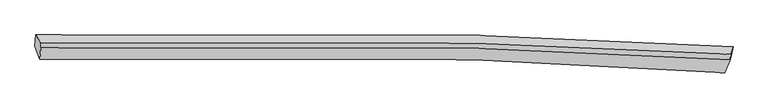
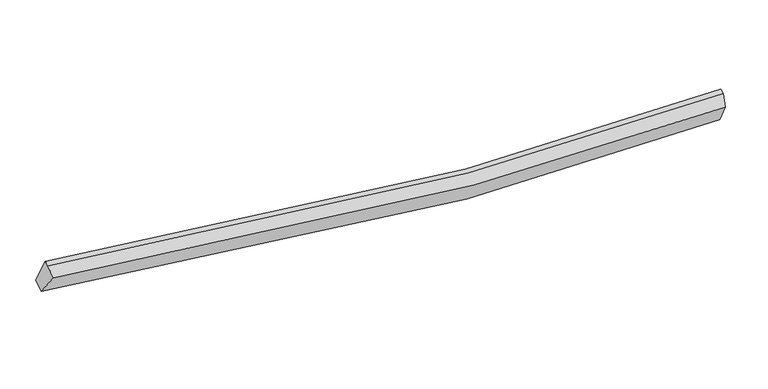
"""IFC4 building model written with IfcOpenShell, lengths in millimetres: proxy geometry."""

from ifc_helpers import new_model, si_unit, frame, origin, place, context, project, spatial, source, transform, mapped, element, save
from ifc_brep_helpers import plane_surface, spline_curve, spline_surface, advanced_brep


def generic_models_8c3c2ab3(model_context):
    return source(origin(), model_context, "Body", "AdvancedBrep", [
        advanced_brep(
        [(-10212.305403, -1926.805765, 3550.8776056), (-10185.9786103, -1615.0742785, 3719.2097968), (9397.1803176, -1946.8162643, 2395.4613054), (9229.8579338, -2289.9193237, 2242.4788782), (-10074.0353906, -2303.0189508, 4156.2349008), (9164.7366073, -2675.0175111, 2878.0712619), (-10048.931677, -1979.0284144, 4320.4487589), (9322.4639323, -2311.3454785, 3008.4877463), (-10043.1199468, -1836.0270373, 4367.8786496), (9328.4683925, -2163.6018552, 3057.4905184)],
        [
            (0, 1),
            (1, 2, spline_curve(3, [(-10185.9786103, -1615.0742785, 3719.2097968), (-6123.929090593, -1504.842537419, 2890.573557224), (-2022.669089544, -1508.391973054, 2409.331402619), (4530.942142439, -1694.104984633, 2197.474270168), (6957.401784353, -1801.13620946, 2237.466927539), (9397.1803176, -1946.8162643, 2395.4613054)], [4, 2, 4], [0.0, 40.64773478876317, 64.3379665284077])),
            (2, 3),
            (3, 0, spline_curve(3, [(9229.8579338, -2289.9193237, 2242.4788782), (6860.038540623, -2133.201333673, 2069.877349827), (4484.150188004, -2017.778698378, 2019.962400022), (-1984.773019386, -1816.463719193, 2217.595699121), (-6089.605778949, -1810.848501875, 2703.643557265), (-10212.305403, -1926.805765, 3550.8776056)], [4, 2, 4], [0.0, 23.69023173964454, 64.3379665284077])),
            (4, 0),
            (3, 5),
            (5, 4, spline_curve(3, [(9164.7366073, -2675.0175111, 2878.0712619), (6820.734905319, -2513.247272647, 2710.468911716), (4470.349880281, -2394.231153888, 2662.345915509), (-1930.165098776, -2187.118703819, 2856.135617388), (-5992.704073979, -2182.135303282, 3330.313159567), (-10074.0353906, -2303.0189508, 4156.2349008)], [4, 2, 4], [0.0, 23.48266856724709, 63.774266156668006])),
            (6, 4),
            (5, 7),
            (7, 6, spline_curve(3, [(9322.4639323, -2311.3454785, 3008.4877463), (6912.78083321, -2162.880929946, 2854.04538344), (4514.905496098, -2054.064514814, 2815.764108989), (-1965.180365016, -1866.217191564, 3027.270225942), (-6024.436897934, -1864.261251442, 3502.871837386), (-10048.931677, -1979.0284144, 4320.4487589)], [4, 2, 4], [0.0, 23.43717627425041, 63.65071811981099])),
            (8, 6),
            (7, 9),
            (9, 8, spline_curve(3, [(9328.4683925, -2163.6018552, 3057.4905184), (6918.595709053, -2019.802149245, 2901.50094665), (4520.591885875, -1914.147231712, 2862.171085147), (-1959.676991952, -1730.803120674, 3072.18360102), (-6018.869281039, -1727.266432397, 3548.309506486), (-10043.1199468, -1836.0270373, 4367.8786496)], [4, 2, 4], [0.0, 23.51635676976538, 63.86575662707979])),
            (1, 8),
            (9, 2),
            (7, 2),
            (3, 7),
        ],
        [
            spline_surface(3, 3, [[(-10212.305403, -1926.805765, 3550.8776056), (-6089.605778531, -1810.848501724, 2703.643557911), (-1984.773019243, -1816.463719307, 2217.595699207), (4484.150187921, -2017.778698312, 2019.962399972), (6860.038540889, -2133.201333658, 2069.877349555), (9229.8579338, -2289.9193237, 2242.4788782)], [(-10203.529805449, -1822.895269484, 3606.988335995), (-6101.046882398, -1708.846513393, 2765.953557516), (-1997.405042579, -1713.773137414, 2281.507600347), (4499.747506056, -1909.887460306, 2079.133023372), (6892.492955278, -2022.512958903, 2125.740542082), (9285.632061711, -2175.551637252, 2293.473020586)], [(-10194.754207851, -1718.984774016, 3663.099066405), (-6112.487986219, -1606.844525109, 2828.263557135), (-2010.03706595, -1611.082555524, 2345.419501483), (4515.344824154, -1801.996222302, 2138.303646766), (6924.947369735, -1911.824584093, 2181.603734651), (9341.406189689, -2061.183950748, 2344.467163014)], [(-10185.9786103, -1615.0742785, 3719.2097968), (-6123.929090086, -1504.842536778, 2890.57355674), (-2022.669089286, -1508.391973632, 2409.331402624), (4530.942142289, -1694.104984296, 2197.474270166), (6957.401784124, -1801.136209337, 2237.466927178), (9397.1803176, -1946.8162643, 2395.4613054)]], [4, 4], [4, 2, 4], [0.0, 1.1953595313869736], [0.0, 40.64773478876317, 64.3379665284077]),
            spline_surface(3, 3, [[(-10074.0353906, -2303.0189508, 4156.2349008), (-5992.704073424, -2182.135302996, 3330.313159648), (-1930.165099236, -2187.118704357, 2856.135617109), (4470.349880549, -2394.231153575, 2662.345915672), (6820.734905658, -2513.247272358, 2710.468911936), (9164.7366073, -2675.0175111, 2878.0712619)], [(-10120.125394733, -2177.614555535, 3954.449135727), (-6025.004641793, -2058.373035906, 3121.423292396), (-1948.367739254, -2063.567042647, 2643.288977801), (4474.94998299, -2268.747001794, 2448.218077099), (6833.836117406, -2386.5652928, 2496.938391142), (9186.443716138, -2546.651448642, 2666.207134)], [(-10166.215398867, -2052.210160265, 3752.663370673), (-6057.305210163, -1934.610768813, 2912.533425163), (-1966.570379224, -1940.015381017, 2430.442338514), (4479.55008548, -2143.262850093, 2234.090238546), (6846.937329141, -2259.883313216, 2283.407870348), (9208.150824962, -2418.285386158, 2454.3430061)], [(-10212.305403, -1926.805765, 3550.8776056), (-6089.605778531, -1810.848501724, 2703.643557911), (-1984.773019243, -1816.463719307, 2217.595699207), (4484.150187921, -2017.778698312, 2019.962399972), (6860.038540889, -2133.201333658, 2069.877349555), (9229.8579338, -2289.9193237, 2242.4788782)]], [4, 4], [4, 2, 4], [0.0, 2.4278400096554997], [0.0, 40.29159758942092, 63.774266156668006]),
            spline_surface(3, 3, [[(-10048.931677, -1979.0284144, 4320.4487589), (-6024.436898026, -1864.261251908, 3502.871836961), (-1965.180365171, -1866.217191357, 3027.270225344), (4514.905496189, -2054.064514934, 2815.764109338), (6912.7808331, -2162.8809302, 2854.045383471), (9322.4639323, -2311.3454785, 3008.4877463)], [(-10057.299581531, -2087.025259872, 4265.710806195), (-6013.859289823, -1970.219268943, 3445.352277852), (-1953.508609858, -1973.184362373, 2970.225355939), (4500.053624311, -2167.453394497, 2764.624711456), (6882.098857289, -2279.669710911, 2806.186559634), (9269.888157303, -2432.569489358, 2965.015584841)], [(-10065.667486069, -2195.022105328, 4210.972853505), (-6003.281681627, -2076.177285961, 3387.832718757), (-1941.83685455, -2080.151533341, 2913.180486514), (4485.201752427, -2280.842274012, 2713.485313554), (6851.416881469, -2396.458491648, 2758.327735773), (9217.312382297, -2553.793500242, 2921.543423359)], [(-10074.0353906, -2303.0189508, 4156.2349008), (-5992.704073424, -2182.135302996, 3330.313159648), (-1930.165099236, -2187.118704357, 2856.135617109), (4470.349880549, -2394.231153575, 2662.345915672), (6820.734905658, -2513.247272358, 2710.468911936), (9164.7366073, -2675.0175111, 2878.0712619)]], [4, 4], [4, 2, 4], [0.0, 1.2020231200058582], [0.0, 40.21354184556058, 63.65071811981099]),
            spline_surface(3, 3, [[(-10043.1199468, -1836.0270373, 4367.8786496), (-6018.869280827, -1727.266432917, 3548.309506326), (-1959.676991305, -1730.803121103, 3072.183600866), (4520.591885498, -1914.147231462, 2862.171085236), (6918.595709074, -2019.802149255, 2901.500946954), (9328.4683925, -2163.6018552, 3057.4905184)], [(-10045.05719021, -1883.69416301, 4352.068686041), (-6020.725153237, -1772.93137259, 3533.163616545), (-1961.511449271, -1775.941144532, 3057.212475695), (4518.696422385, -1960.786325964, 2846.702093273), (6916.657417072, -2067.495076245, 2885.682425772), (9326.466905756, -2212.849729641, 3041.156261012)], [(-10046.99443359, -1931.36128869, 4336.258722459), (-6022.581025616, -1818.596312235, 3518.017726741), (-1963.345907206, -1821.079167928, 3042.241350515), (4516.800959302, -2007.425420432, 2831.233101301), (6914.719125102, -2115.188003211, 2869.863904653), (9324.465419044, -2262.097604059, 3024.822003688)], [(-10048.931677, -1979.0284144, 4320.4487589), (-6024.436898026, -1864.261251908, 3502.871836961), (-1965.180365171, -1866.217191357, 3027.270225344), (4514.905496189, -2054.064514934, 2815.764109338), (6912.7808331, -2162.8809302, 2854.045383471), (9322.4639323, -2311.3454785, 3008.4877463)]], [4, 4], [4, 2, 4], [0.0, 0.4741005887347536], [0.0, 40.34939985731441, 63.86575662707979]),
            spline_surface(3, 3, [[(-10185.9786103, -1615.0742785, 3719.2097968), (-6123.929090086, -1504.842536778, 2890.57355674), (-2022.669089286, -1508.391973632, 2409.331402624), (4530.942142289, -1694.104984296, 2197.474270166), (6957.401784124, -1801.136209337, 2237.466927178), (9397.1803176, -1946.8162643, 2395.4613054)], [(-10138.359055776, -1688.7251981, 3935.432747741), (-6088.909153643, -1578.98383549, 3109.818873276), (-2001.67172328, -1582.529022789, 2630.282135367), (4527.492056704, -1767.452400018, 2419.039875185), (6944.4664258, -1874.024855951, 2458.811600464), (9374.276342592, -2019.078127907, 2616.13770976)], [(-10090.739501324, -1762.3761177, 4151.655698659), (-6053.88921727, -1653.125134204, 3329.06418979), (-1980.674357311, -1656.666071945, 2851.232868123), (4524.041971083, -1840.79981574, 2640.605480217), (6931.531067399, -1946.913502642, 2680.156273669), (9351.372367508, -2091.339991593, 2836.81411404)], [(-10043.1199468, -1836.0270373, 4367.8786496), (-6018.869280827, -1727.266432917, 3548.309506326), (-1959.676991305, -1730.803121103, 3072.183600866), (4520.591885498, -1914.147231462, 2862.171085236), (6918.595709074, -2019.802149255, 2901.500946954), (9328.4683925, -2163.6018552, 3057.4905184)]], [4, 4], [4, 2, 4], [0.0, 2.29760252350245], [0.0, 40.56982969980112, 64.2146569508364]),
            plane_surface(frame((-10112.8742055, -1931.9908892, 4022.9299424), z_axis=(-0.9781942579888587, -0.028480513813645122, 0.2057300512091924), x_axis=(-0.07410697338853663, -0.8774892286576401, -0.47383626927981204))),
            plane_surface(frame((9349.3708808, -2140.587866, 2820.4798567), z_axis=(0.9944238740568603, -0.0673338873564593, 0.08116222224171397), x_axis=(0.10418906872529192, 0.50832169162409, -0.8548413278396055))),
            plane_surface(frame((9239.0194911, -2425.4274377, 2709.6792955), z_axis=(0.9258026795079102, -0.3578015129819365, -0.12193225956985802), x_axis=(-0.3779662610178197, -0.8714771419316719, -0.3125205539205606))),
            plane_surface(frame((9316.5007279, -2182.6936888, 2548.8093099), z_axis=(0.9124126657783973, -0.3909017149039637, -0.12123933607661803), x_axis=(-0.11997402125325253, 0.02775826613568208, -0.9923888919599336))),
        ],
        [
            (0, [[1, 2, 3, 4]]),
            (1, [[5, -4, 6, 7]]),
            (2, [[8, -7, 9, 10]]),
            (3, [[11, -10, 12, 13]]),
            (4, [[14, -13, 15, -2]]),
            (5, [[-1, -5, -8, -11, -14]]),
            (6, [[16, -15, -12]]),
            (7, [[-9, -6, 17]]),
            (8, [[-17, -3, -16]]),
        ],
    ),
    ])


if __name__ == "__main__":
    model = new_model("IFC4")
    model_context = context("Model", 3, world=origin())
    ifc_project = project(units=[si_unit("LENGTHUNIT", "METRE", prefix="MILLI")], contexts=[model_context])
    site = spatial("IfcSite", under=ifc_project)
    building = spatial("IfcBuilding", under=site)
    placement = place(None, origin())
    generic_models_shape = generic_models_8c3c2ab3(model_context)
    element("IfcBuildingElementProxy", 1, Name="Generic Models", at=placement, inside=building, context=model_context, shape_type="MappedRepresentation", body=[
        mapped(generic_models_shape, transform((0.0, 0.0, 0.0), x_axis=(1.0, 0.0, 0.0), y_axis=(0.0, 1.0, 0.0), z_axis=(0.0, 0.0, 1.0))),
    ])
    save(model, "model.ifc")
